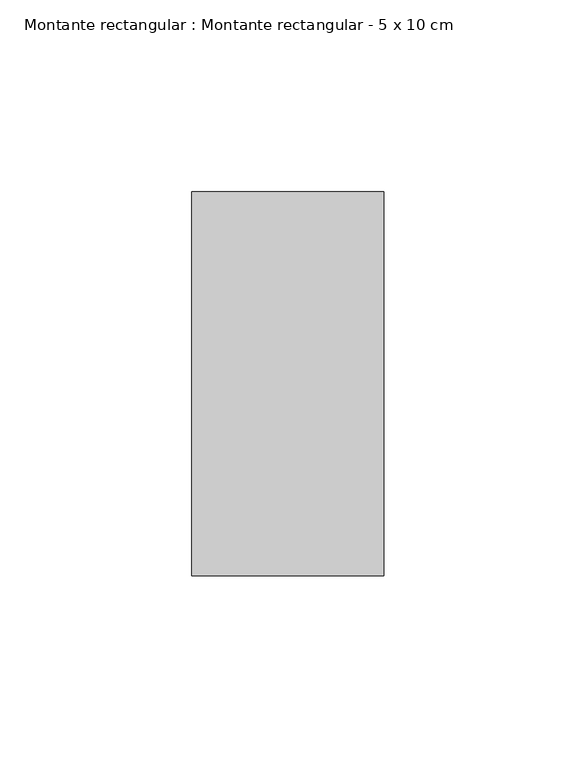
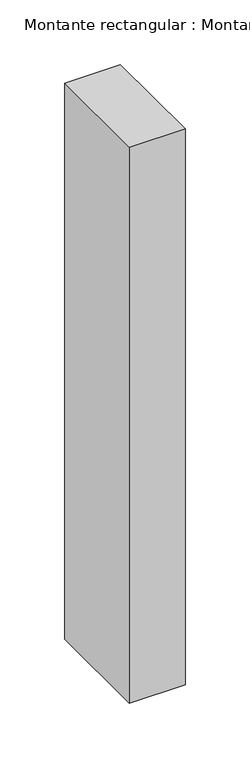
"""IFC4 building model written with IfcOpenShell, lengths in millimetres: member geometry, Montante rectangular : Montante rectangular - 5 x 10 cm."""

from ifc_helpers import new_model, si_unit, frame, origin, place, context, project, spatial, polyline, outline, extrude, source, transform, mapped, element, save


def montante_rectangular_montante_rectangular_5_x_10_cm_0caa58b4(model_context):
    return source(origin(), model_context, "Body", "SweptSolid", [
        extrude(outline(polyline([(-50.0, 50.0), (0.0, 50.0), (0.0, -50.0), (-50.0, -50.0), (-50.0, 50.0)])), frame((0.0, 0.0, -526.0), z_axis=(0.0, 0.0, 1.0), x_axis=(1.0, 0.0, 0.0)), (0.0, 0.0, 1.0), 526.0),
    ])


if __name__ == "__main__":
    model = new_model("IFC4")
    model_context = context("Model", 3, world=origin())
    ifc_project = project(units=[si_unit("LENGTHUNIT", "METRE", prefix="MILLI")], contexts=[model_context])
    site = spatial("IfcSite", under=ifc_project)
    building = spatial("IfcBuilding", under=site)
    placement = place(None, origin())
    montante_rectangular_montante_rectangular_5_x_10_cm_shape = montante_rectangular_montante_rectangular_5_x_10_cm_0caa58b4(model_context)
    element("IfcMember", 1, ObjectType="Montante rectangular : Montante rectangular - 5 x 10 cm", at=placement, inside=building, context=model_context, shape_type="MappedRepresentation", body=[
        mapped(montante_rectangular_montante_rectangular_5_x_10_cm_shape, transform((0.0, 0.0, 0.0), x_axis=(1.0, 0.0, 0.0), y_axis=(0.0, 1.0, 0.0), z_axis=(0.0, 0.0, 1.0))),
    ])
    save(model, "model.ifc")
